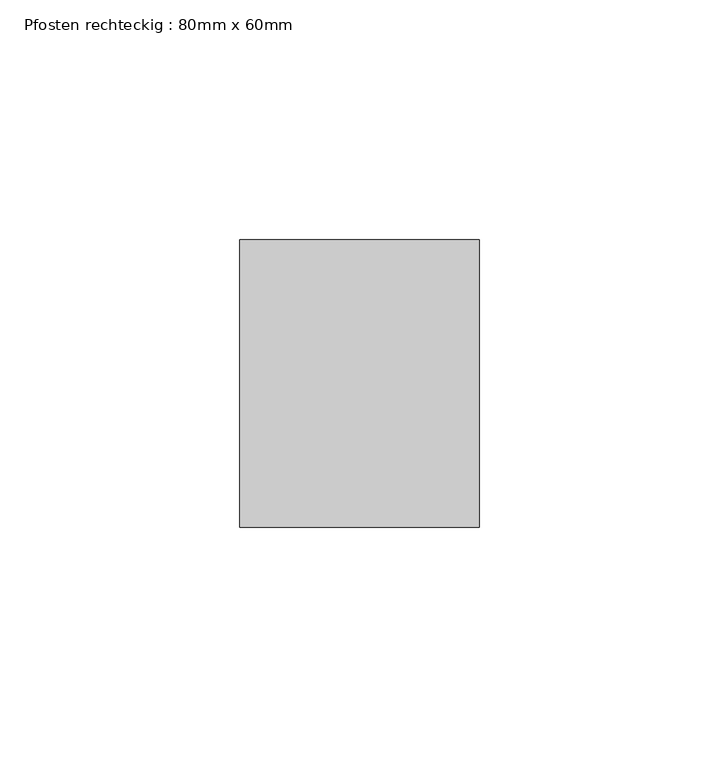
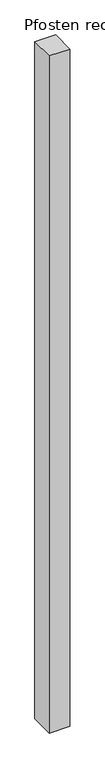
"""IFC4 building model written with IfcOpenShell, lengths in millimetres: member geometry, Pfosten rechteckig : 80mm x 60mm."""

from ifc_helpers import new_model, si_unit, frame, origin, place, context, project, spatial, polyline, outline, extrude, source, transform, mapped, element, save


def pfosten_rechteckig_80mm_x_60mm_f2441f31(model_context):
    return source(origin(), model_context, "Body", "SweptSolid", [
        extrude(outline(polyline([(0.0, 30.0), (0.0, -30.0), (-50.0, -30.0), (-50.0, 30.0), (0.0, 30.0)])), frame((0.0, 0.0, -1735.0), z_axis=(0.0, 0.0, 1.0), x_axis=(1.0, 0.0, 0.0)), (0.0, 0.0, 1.0), 1735.0),
    ])


if __name__ == "__main__":
    model = new_model("IFC4")
    model_context = context("Model", 3, world=origin())
    ifc_project = project(units=[si_unit("LENGTHUNIT", "METRE", prefix="MILLI")], contexts=[model_context])
    site = spatial("IfcSite", under=ifc_project)
    building = spatial("IfcBuilding", under=site)
    placement = place(None, origin())
    pfosten_rechteckig_80mm_x_60mm_shape = pfosten_rechteckig_80mm_x_60mm_f2441f31(model_context)
    element("IfcMember", 1, ObjectType="Pfosten rechteckig : 80mm x 60mm", at=placement, inside=building, context=model_context, shape_type="MappedRepresentation", body=[
        mapped(pfosten_rechteckig_80mm_x_60mm_shape, transform((0.0, 0.0, 0.0), x_axis=(1.0, 0.0, 0.0), y_axis=(0.0, 1.0, 0.0), z_axis=(0.0, 0.0, 1.0))),
    ])
    save(model, "model.ifc")
